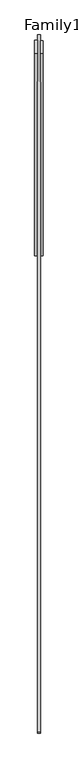
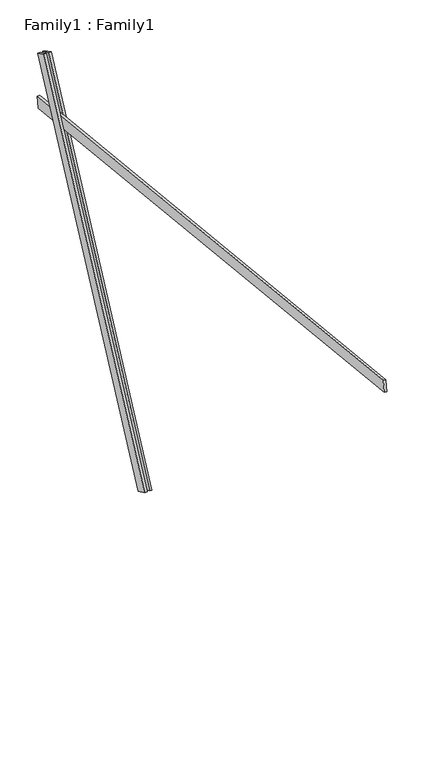
"""IFC4 building model written with IfcOpenShell, lengths in millimetres: proxy geometry, Family1 : Family1."""

from ifc_helpers import new_model, si_unit, frame, origin, place, context, project, spatial, polyline, outline, extrude, source, transform, mapped, element, save


def family1_family1_9dd73c21(model_context):
    return source(origin(), model_context, "Body", "SweptSolid", [
        extrude(outline(polyline([(0.0, 0.0), (0.0, -20.0), (-100.0000001, -20.0), (-100.0000001, 0.0), (0.0, 0.0)])), frame((-30.0, 46.3241747, -22.5938096), z_axis=(0.0, 0.4383711467890692, 0.8987940462991711), x_axis=(0.0, 0.8987940462991711, -0.4383711467890692)), (0.0, 0.0, 1.0), 3300.0),
        extrude(outline(polyline([(0.0, 0.0), (0.0, -20.0), (-99.9999999, -20.0), (-99.9999999, 0.0), (0.0, 0.0)])), frame((10.0, 45.270232, -22.0797674), z_axis=(0.0, 0.4383711467890692, 0.8987940462991711), x_axis=(0.0, 0.8987940462991711, -0.4383711467890692)), (0.0, 0.0, 1.0), 3300.0),
        extrude(outline(polyline([(0.0, -20.0), (0.0, 0.0), (5000.0, 0.0), (5000.0, -20.0), (0.0, -20.0)])), frame((-10.0, -3450.3120931, 2957.9993892), z_axis=(0.0, 0.10452846326765562, 0.9945218953682732), x_axis=(0.0, 0.9945218953682732, -0.10452846326765562)), (0.0, 0.0, 1.0), 100.0),
    ])


if __name__ == "__main__":
    model = new_model("IFC4")
    model_context = context("Model", 3, world=origin())
    ifc_project = project(units=[si_unit("LENGTHUNIT", "METRE", prefix="MILLI")], contexts=[model_context])
    site = spatial("IfcSite", under=ifc_project)
    building = spatial("IfcBuilding", under=site)
    placement = place(None, origin())
    family1_family1_shape = family1_family1_9dd73c21(model_context)
    element("IfcBuildingElementProxy", 1, Name="Family1 : Family1", ObjectType="Family1 : Family1", at=placement, inside=building, context=model_context, shape_type="MappedRepresentation", body=[
        mapped(family1_family1_shape, transform((0.0, 0.0, 0.0), x_axis=(1.0, 0.0, 0.0), y_axis=(0.0, 1.0, 0.0), z_axis=(0.0, 0.0, 1.0))),
    ])
    save(model, "model.ifc")
